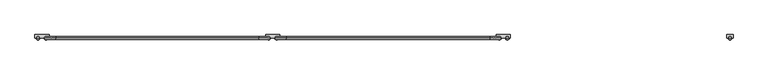
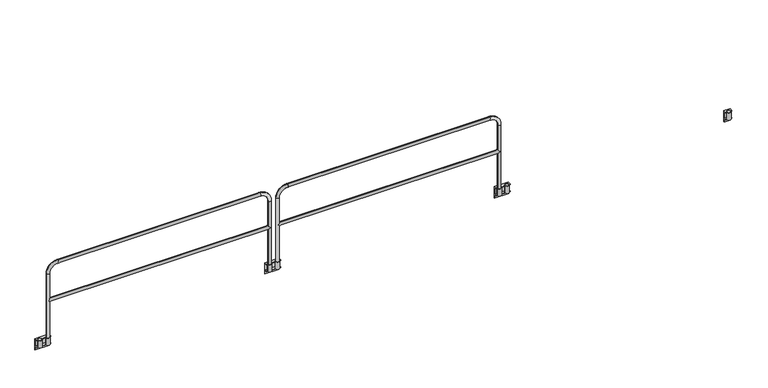
"""IFC4 building model written with IfcOpenShell, lengths in millimetres: railing geometry."""

from ifc_helpers import new_model, si_unit, point, frame, frame_2d, origin, place, context, project, spatial, polyline, circle_curve, ellipse_curve, trimmed, segment, composite_curve, outline, extrude, source, transform, mapped, element, save
from ifc_brep_helpers import plane_surface, cylinder_surface, revolved_surface, advanced_brep


def railing_c8866953(model_context):
    return source(origin(), model_context, "Body", "SolidModel", [
        advanced_brep(
        [(44917.043726, 9383.1551937, 0.0), (44917.043726, 9383.1551937, -95.25), (44917.043726, 9345.0551937, -95.25), (44917.043726, 9345.0551937, -101.6), (44917.043726, 9383.1551937, -101.6), (44917.043726, 9383.1551937, -152.4), (44917.043726, 9389.5051937, -152.4), (44917.043726, 9389.5051937, 6.35), (44917.043726, 9345.0551937, 6.35), (44917.043726, 9345.0551937, 0.0), (44726.543726, 9383.1551937, 0.0), (44726.543726, 9345.0551937, 0.0), (44726.543726, 9345.0551937, 6.35), (44726.543726, 9389.5051937, 6.35), (44726.543726, 9389.5051937, -152.4), (44726.543726, 9383.1551937, -152.4), (44726.543726, 9383.1551937, -101.6), (44726.543726, 9345.0551937, -101.6), (44726.543726, 9345.0551937, -95.25), (44726.543726, 9383.1551937, -95.25), (44740.9246893, 9345.0551937, 0.0), (44740.9246893, 9345.0551937, 6.35), (44848.6877627, 9345.0551937, 6.35), (44794.8996893, 9345.0551937, 6.35), (44794.8996893, 9345.0551937, 0.0), (44848.6877627, 9345.0551937, 0.0), (44902.6627627, 9345.0551937, 6.35), (44902.6627627, 9345.0551937, 0.0), (44740.9246893, 9345.0551937, -95.25), (44794.8996893, 9345.0551937, -95.25), (44848.6877627, 9345.0551937, -95.25), (44902.6627627, 9345.0551937, -95.25)],
        [
            (0, 1),
            (1, 2),
            (2, 3),
            (3, 4),
            (4, 5),
            (5, 6),
            (6, 7),
            (7, 8),
            (8, 9),
            (9, 0),
            (10, 11),
            (11, 12),
            (12, 13),
            (13, 14),
            (14, 15),
            (15, 16),
            (16, 17),
            (17, 18),
            (18, 19),
            (19, 10),
            (11, 20),
            (20, 21),
            (21, 12),
            (22, 23),
            (23, 24),
            (24, 25),
            (25, 22),
            (8, 26),
            (26, 27),
            (27, 9),
            (7, 13),
            (21, 23, circle_curve(frame((44767.9121893, 9345.0551937, 6.35), z_axis=(0.0, 0.0, -1.0), x_axis=(1.0, 0.0, 0.0)), 26.9875)),
            (22, 26, circle_curve(frame((44875.6752627, 9345.0551937, 6.35), z_axis=(0.0, 0.0, -1.0), x_axis=(1.0, 0.0, 0.0)), 26.9875)),
            (27, 25, circle_curve(frame((44875.6752627, 9345.0551937, 0.0), z_axis=(0.0, 0.0, 1.0), x_axis=(1.0, 0.0, 0.0)), 26.9875)),
            (24, 20, circle_curve(frame((44767.9121893, 9345.0551937, 0.0), z_axis=(0.0, 0.0, 1.0), x_axis=(1.0, 0.0, 0.0)), 26.9875)),
            (10, 0),
            (6, 14),
            (1, 19),
            (18, 28),
            (28, 29),
            (29, 30),
            (30, 31),
            (31, 2),
            (17, 3),
            (16, 4),
            (15, 5),
        ],
        [
            plane_surface(frame((44917.043726, 9389.5051937, 0.0), z_axis=(1.0, 0.0, 0.0), x_axis=(0.0, 0.0, 1.0))),
            plane_surface(frame((44726.543726, 9389.5051937, 0.0), z_axis=(-1.0, 0.0, 0.0), x_axis=(0.0, 0.0, 1.0))),
            plane_surface(frame((44917.043726, 9345.0551937, 6.35), z_axis=(0.0, -1.0, 0.0), x_axis=(-1.0, 0.0, 0.0))),
            plane_surface(frame((44917.043726, 9389.5051937, 6.35), z_axis=(0.0, 0.0, 1.0), x_axis=(-1.0, 0.0, 0.0))),
            plane_surface(frame((44917.043726, 9345.0551937, 0.0), z_axis=(0.0, 0.0, -1.0), x_axis=(-1.0, 0.0, 0.0))),
            plane_surface(frame((44917.043726, 9389.5051937, -152.4), z_axis=(0.0, 1.0, 0.0), x_axis=(-1.0, 0.0, 0.0))),
            plane_surface(frame((44917.043726, 9383.1551937, -95.25), z_axis=(0.0, 0.0, 1.0), x_axis=(-1.0, 0.0, 0.0))),
            plane_surface(frame((44917.043726, 9345.0551937, -95.25), z_axis=(0.0, -1.0, 0.0), x_axis=(-1.0, 0.0, 0.0))),
            plane_surface(frame((44917.043726, 9345.0551937, -101.6), z_axis=(0.0, 0.0, -1.0), x_axis=(-1.0, 0.0, 0.0))),
            revolved_surface(polyline([(44794.8996893, 9345.0551937, 6.349999999999994), (44794.8996893, 9345.0551937, 0.0)]), (44767.9121893, 9345.0551937, -95.25), (0.0, 0.0, 1.0)),
            revolved_surface(polyline([(44902.662762700005, 9345.0551937, 6.35), (44902.662762700005, 9345.0551937, 0.0)]), (44875.6752627, 9345.0551937, 0.0), (0.0, 0.0, 1.0)),
            plane_surface(frame((44917.043726, 9383.1551937, -101.6), z_axis=(0.0, -1.0, 0.0), x_axis=(-1.0, 0.0, 0.0))),
            plane_surface(frame((44917.043726, 9383.1551937, -152.4), z_axis=(0.0, 0.0, -1.0), x_axis=(-1.0, 0.0, 0.0))),
            plane_surface(frame((44917.043726, 9383.1551937, 0.0), z_axis=(0.0, -1.0, 0.0), x_axis=(-1.0, 0.0, 0.0))),
        ],
        [
            (0, [[1, 2, 3, 4, 5, 6, 7, 8, 9, 10]]),
            (1, [[11, 12, 13, 14, 15, 16, 17, 18, 19, 20]]),
            (2, [[-12, 21, 22, 23]]),
            (2, [[24, 25, 26, 27]]),
            (2, [[-9, 28, 29, 30]]),
            (3, [[-8, 31, -13, -23, 32, -24, 33, -28]]),
            (4, [[-10, -30, 34, -26, 35, -21, -11, 36]]),
            (5, [[-7, 37, -14, -31]]),
            (6, [[-2, 38, -19, 39, 40, 41, 42, 43]]),
            (7, [[-3, -43, -42, -41, -40, -39, -18, 44]]),
            (8, [[-4, -44, -17, 45]]),
            (9, [[-22, -35, -25, -32]]),
            (10, [[-27, -34, -29, -33]]),
            (11, [[-5, -45, -16, 46]]),
            (12, [[-6, -46, -15, -37]]),
            (13, [[-1, -36, -20, -38]]),
        ],
    ),
        extrude(outline(composite_curve([segment(trimmed(circle_curve(frame_2d((44875.6752627, 9345.0551937)), 26.9875), [point((44848.6877627, 9345.0551937))], [point((44902.6627627, 9345.0551937))], False, "CARTESIAN"), True, "CONTINUOUS"), segment(trimmed(circle_curve(frame_2d((44875.6752627, 9345.0551937)), 26.9875), [point((44902.6627627, 9345.0551937))], [point((44848.6877627, 9345.0551937))], False, "CARTESIAN"), True, "CONTINUOUS")], self_intersect=False), holes=[composite_curve([segment(trimmed(circle_curve(frame_2d((44875.6752627, 9345.0551937)), 20.6375), [point((44855.0377627, 9345.0551937))], [point((44896.3127627, 9345.0551937))], True, "CARTESIAN"), True, "CONTINUOUS"), segment(trimmed(circle_curve(frame_2d((44875.6752627, 9345.0551937)), 20.6375), [point((44896.3127627, 9345.0551937))], [point((44855.0377627, 9345.0551937))], True, "CARTESIAN"), True, "CONTINUOUS")], self_intersect=False)]), frame((0.0, 0.0, -95.25), z_axis=(0.0, 0.0, 1.0), x_axis=(1.0, 0.0, 0.0)), (0.0, 0.0, 1.0), 101.6),
        extrude(outline(composite_curve([segment(trimmed(circle_curve(frame_2d((44767.9121893, 9345.0551937)), 26.9875), [point((44740.9246893, 9345.0551937))], [point((44794.8996893, 9345.0551937))], False, "CARTESIAN"), True, "CONTINUOUS"), segment(trimmed(circle_curve(frame_2d((44767.9121893, 9345.0551937)), 26.9875), [point((44794.8996893, 9345.0551937))], [point((44740.9246893, 9345.0551937))], False, "CARTESIAN"), True, "CONTINUOUS")], self_intersect=False), holes=[composite_curve([segment(trimmed(circle_curve(frame_2d((44767.9121893, 9345.0551937)), 20.6375), [point((44747.2746893, 9345.0551937))], [point((44788.5496893, 9345.0551937))], True, "CARTESIAN"), True, "CONTINUOUS"), segment(trimmed(circle_curve(frame_2d((44767.9121893, 9345.0551937)), 20.6375), [point((44788.5496893, 9345.0551937))], [point((44747.2746893, 9345.0551937))], True, "CARTESIAN"), True, "CONTINUOUS")], self_intersect=False)]), frame((0.0, 0.0, -95.25), z_axis=(0.0, 0.0, 1.0), x_axis=(1.0, 0.0, 0.0)), (0.0, 0.0, 1.0), 101.6),
        advanced_brep(
        [(47841.0317994, 9383.1551937, 0.0), (47841.0317994, 9345.0551937, 0.0), (47841.0317994, 9345.0551937, 6.35), (47841.0317994, 9389.5051937, 6.35), (47841.0317994, 9389.5051937, -152.4), (47841.0317994, 9383.1551937, -152.4), (47841.0317994, 9383.1551937, -101.6), (47841.0317994, 9345.0551937, -101.6), (47841.0317994, 9345.0551937, -95.25), (47841.0317994, 9383.1551937, -95.25), (48031.5317994, 9383.1551937, 0.0), (48031.5317994, 9383.1551937, -95.25), (48031.5317994, 9345.0551937, -95.25), (48031.5317994, 9345.0551937, -101.6), (48031.5317994, 9383.1551937, -101.6), (48031.5317994, 9383.1551937, -152.4), (48031.5317994, 9389.5051937, -152.4), (48031.5317994, 9389.5051937, 6.35), (48031.5317994, 9345.0551937, 6.35), (48031.5317994, 9345.0551937, 0.0), (47855.4127627, 9345.0551937, 0.0), (47855.4127627, 9345.0551937, 6.35), (48017.1508362, 9345.0551937, 6.35), (48017.1508362, 9345.0551937, 0.0), (47909.3877627, 9345.0551937, 6.35), (47909.3877627, 9345.0551937, 0.0), (47963.1758362, 9345.0551937, 0.0), (47963.1758362, 9345.0551937, 6.35), (47855.4127627, 9345.0551937, -95.25), (47909.3877627, 9345.0551937, -95.25), (47963.1758362, 9345.0551937, -95.25), (48017.1508362, 9345.0551937, -95.25)],
        [
            (0, 1),
            (1, 2),
            (2, 3),
            (3, 4),
            (4, 5),
            (5, 6),
            (6, 7),
            (7, 8),
            (8, 9),
            (9, 0),
            (10, 11),
            (11, 12),
            (12, 13),
            (13, 14),
            (14, 15),
            (15, 16),
            (16, 17),
            (17, 18),
            (18, 19),
            (19, 10),
            (1, 20),
            (20, 21),
            (21, 2),
            (18, 22),
            (22, 23),
            (23, 19),
            (24, 25),
            (25, 26),
            (26, 27),
            (27, 24),
            (21, 24, circle_curve(frame((47882.4002627, 9345.0551937, 6.35), z_axis=(0.0, 0.0, -1.0), x_axis=(-1.0, 0.0, 0.0)), 26.9875)),
            (27, 22, circle_curve(frame((47990.1633362, 9345.0551937, 6.35), z_axis=(0.0, 0.0, -1.0), x_axis=(-1.0, 0.0, 0.0)), 26.9875)),
            (17, 3),
            (0, 10),
            (23, 26, circle_curve(frame((47990.1633362, 9345.0551937, 0.0), z_axis=(0.0, 0.0, 1.0), x_axis=(-1.0, 0.0, 0.0)), 26.9875)),
            (25, 20, circle_curve(frame((47882.4002627, 9345.0551937, 0.0), z_axis=(0.0, 0.0, 1.0), x_axis=(-1.0, 0.0, 0.0)), 26.9875)),
            (16, 4),
            (8, 28),
            (28, 29),
            (29, 30),
            (30, 31),
            (31, 12),
            (11, 9),
            (7, 13),
            (6, 14),
            (5, 15),
        ],
        [
            plane_surface(frame((47841.0317994, 9389.5051937, 0.0), z_axis=(-1.0, 0.0, 0.0), x_axis=(0.0, 0.0, 1.0))),
            plane_surface(frame((48031.5317994, 9389.5051937, 0.0), z_axis=(1.0, 0.0, 0.0), x_axis=(0.0, 0.0, 1.0))),
            plane_surface(frame((47841.0317994, 9345.0551937, 6.35), z_axis=(0.0, -1.0, 0.0), x_axis=(1.0, 0.0, 0.0))),
            plane_surface(frame((47841.0317994, 9389.5051937, 6.35), z_axis=(0.0, 0.0, 1.0), x_axis=(1.0, 0.0, 0.0))),
            plane_surface(frame((47841.0317994, 9345.0551937, 0.0), z_axis=(0.0, 0.0, -1.0), x_axis=(1.0, 0.0, 0.0))),
            plane_surface(frame((47841.0317994, 9389.5051937, -152.4), z_axis=(0.0, 1.0, 0.0), x_axis=(1.0, 0.0, 0.0))),
            plane_surface(frame((47841.0317994, 9383.1551937, -95.25), z_axis=(0.0, 0.0, 1.0), x_axis=(1.0, 0.0, 0.0))),
            plane_surface(frame((47841.0317994, 9345.0551937, -95.25), z_axis=(0.0, -1.0, 0.0), x_axis=(1.0, 0.0, 0.0))),
            plane_surface(frame((47841.0317994, 9345.0551937, -101.6), z_axis=(0.0, 0.0, -1.0), x_axis=(1.0, 0.0, 0.0))),
            revolved_surface(polyline([(47963.1758362, 9345.0551937, 6.349999999999994), (47963.1758362, 9345.0551937, 0.0)]), (47990.1633362, 9345.0551937, -95.25), (0.0, 0.0, 1.0)),
            revolved_surface(polyline([(47855.4127627, 9345.0551937, 6.35), (47855.4127627, 9345.0551937, 0.0)]), (47882.4002627, 9345.0551937, 0.0), (0.0, 0.0, 1.0)),
            plane_surface(frame((47841.0317994, 9383.1551937, -101.6), z_axis=(0.0, -1.0, 0.0), x_axis=(1.0, 0.0, 0.0))),
            plane_surface(frame((47841.0317994, 9383.1551937, -152.4), z_axis=(0.0, 0.0, -1.0), x_axis=(1.0, 0.0, 0.0))),
            plane_surface(frame((47841.0317994, 9383.1551937, 0.0), z_axis=(0.0, -1.0, 0.0), x_axis=(1.0, 0.0, 0.0))),
        ],
        [
            (0, [[1, 2, 3, 4, 5, 6, 7, 8, 9, 10]]),
            (1, [[11, 12, 13, 14, 15, 16, 17, 18, 19, 20]]),
            (2, [[21, 22, 23, -2]]),
            (2, [[24, 25, 26, -19]]),
            (2, [[27, 28, 29, 30]]),
            (3, [[-23, 31, -30, 32, -24, -18, 33, -3]]),
            (4, [[34, -20, -26, 35, -28, 36, -21, -1]]),
            (5, [[-33, -17, 37, -4]]),
            (6, [[38, 39, 40, 41, 42, -12, 43, -9]]),
            (7, [[44, -13, -42, -41, -40, -39, -38, -8]]),
            (8, [[45, -14, -44, -7]]),
            (9, [[-32, -29, -35, -25]]),
            (10, [[-31, -22, -36, -27]]),
            (11, [[46, -15, -45, -6]]),
            (12, [[-37, -16, -46, -5]]),
            (13, [[-43, -11, -34, -10]]),
        ],
    ),
        extrude(outline(composite_curve([segment(trimmed(circle_curve(frame_2d((47882.4002627, 9345.0551937)), 26.9875), [point((47909.3877627, 9345.0551937))], [point((47855.4127627, 9345.0551937))], False, "CARTESIAN"), True, "CONTINUOUS"), segment(trimmed(circle_curve(frame_2d((47882.4002627, 9345.0551937)), 26.9875), [point((47855.4127627, 9345.0551937))], [point((47909.3877627, 9345.0551937))], False, "CARTESIAN"), True, "CONTINUOUS")], self_intersect=False), holes=[composite_curve([segment(trimmed(circle_curve(frame_2d((47882.4002627, 9345.0551937)), 20.6375), [point((47903.0377627, 9345.0551937))], [point((47861.7627627, 9345.0551937))], True, "CARTESIAN"), True, "CONTINUOUS"), segment(trimmed(circle_curve(frame_2d((47882.4002627, 9345.0551937)), 20.6375), [point((47861.7627627, 9345.0551937))], [point((47903.0377627, 9345.0551937))], True, "CARTESIAN"), True, "CONTINUOUS")], self_intersect=False)]), frame((0.0, 0.0, -95.25), z_axis=(0.0, 0.0, 1.0), x_axis=(1.0, 0.0, 0.0)), (0.0, 0.0, 1.0), 101.6),
        extrude(outline(composite_curve([segment(trimmed(circle_curve(frame_2d((47990.1633362, 9345.0551937)), 26.9875), [point((48017.1508362, 9345.0551937))], [point((47963.1758362, 9345.0551937))], False, "CARTESIAN"), True, "CONTINUOUS"), segment(trimmed(circle_curve(frame_2d((47990.1633362, 9345.0551937)), 26.9875), [point((47963.1758362, 9345.0551937))], [point((48017.1508362, 9345.0551937))], False, "CARTESIAN"), True, "CONTINUOUS")], self_intersect=False), holes=[composite_curve([segment(trimmed(circle_curve(frame_2d((47990.1633362, 9345.0551937)), 20.6375), [point((48010.8008362, 9345.0551937))], [point((47969.5258362, 9345.0551937))], True, "CARTESIAN"), True, "CONTINUOUS"), segment(trimmed(circle_curve(frame_2d((47990.1633362, 9345.0551937)), 20.6375), [point((47969.5258362, 9345.0551937))], [point((48010.8008362, 9345.0551937))], True, "CARTESIAN"), True, "CONTINUOUS")], self_intersect=False)]), frame((0.0, 0.0, -95.25), z_axis=(0.0, 0.0, 1.0), x_axis=(1.0, 0.0, 0.0)), (0.0, 0.0, 1.0), 101.6),
        advanced_brep(
        [(44896.3127627, 9345.0551937, 554.0375), (44875.6752627, 9324.4176937, 533.4), (44896.3127627, 9345.0551937, 512.7625), (47861.7627627, 9345.0551937, 512.7625), (47882.4002627, 9324.4176937, 533.4), (47861.7627627, 9345.0551937, 554.0375), (47882.4002627, 9365.6926937, 533.4), (44875.6752627, 9365.6926937, 533.4), (44855.0377627, 9345.0551937, -95.25), (44896.3127627, 9345.0551937, -95.25), (44896.3127627, 9345.0551937, 914.4), (44855.0377627, 9345.0551937, 914.4), (45007.4377627, 9345.0551937, 1025.525), (45007.4377627, 9345.0551937, 1066.8), (47750.6377627, 9345.0551937, 1025.525), (47750.6377627, 9345.0551937, 1066.8), (47861.7627627, 9345.0551937, 914.4), (47903.0377627, 9345.0551937, 914.4), (47903.0377627, 9345.0551937, -95.25), (47861.7627627, 9345.0551937, -95.25)],
        [
            (0, 1, ellipse_curve(frame((44875.6752627, 9345.0551937, 533.4), z_axis=(0.7071067811865475, 0.0, -0.7071067811865475), x_axis=(-0.7071067811865476, 0.0, -0.7071067811865474)), 29.1858324, 20.6375)),
            (1, 2, ellipse_curve(frame((44875.6752627, 9345.0551937, 533.4), z_axis=(0.7071067811865475, 0.0, 0.7071067811865475), x_axis=(-0.7071067811865476, 0.0, 0.7071067811865474)), 29.1858324, 20.6375)),
            (2, 3),
            (3, 4, ellipse_curve(frame((47882.4002627, 9345.0551937, 533.4), z_axis=(-0.7071067811865475, 0.0, 0.7071067811865475), x_axis=(-0.7071067811865476, 0.0, -0.7071067811865474)), 29.1858324, 20.6375)),
            (4, 5, ellipse_curve(frame((47882.4002627, 9345.0551937, 533.4), z_axis=(-0.7071067811865475, 0.0, -0.7071067811865475), x_axis=(-0.7071067811865476, 0.0, 0.7071067811865474)), 29.1858324, 20.6375)),
            (5, 0),
            (5, 6, ellipse_curve(frame((47882.4002627, 9345.0551937, 533.4), z_axis=(-0.7071067811865475, 0.0, -0.7071067811865475), x_axis=(-0.7071067811865476, 0.0, 0.7071067811865474)), 29.1858324, 20.6375)),
            (6, 3, ellipse_curve(frame((47882.4002627, 9345.0551937, 533.4), z_axis=(-0.7071067811865475, 0.0, 0.7071067811865475), x_axis=(-0.7071067811865476, 0.0, -0.7071067811865474)), 29.1858324, 20.6375)),
            (2, 7, ellipse_curve(frame((44875.6752627, 9345.0551937, 533.4), z_axis=(0.7071067811865475, 0.0, 0.7071067811865475), x_axis=(-0.7071067811865476, 0.0, 0.7071067811865474)), 29.1858324, 20.6375)),
            (7, 0, ellipse_curve(frame((44875.6752627, 9345.0551937, 533.4), z_axis=(0.7071067811865475, 0.0, -0.7071067811865475), x_axis=(-0.7071067811865476, 0.0, -0.7071067811865474)), 29.1858324, 20.6375)),
            (8, 9, circle_curve(frame((44875.6752627, 9345.0551937, -95.25), z_axis=(0.0, 0.0, -1.0), x_axis=(1.0, 0.0, 0.0)), 20.6375)),
            (9, 8, circle_curve(frame((44875.6752627, 9345.0551937, -95.25), z_axis=(0.0, 0.0, -1.0), x_axis=(1.0, 0.0, 0.0)), 20.6375)),
            (9, 2),
            (0, 10),
            (10, 11, circle_curve(frame((44875.6752627, 9345.0551937, 914.4), z_axis=(0.0, 0.0, -1.0), x_axis=(1.0, 0.0, 0.0)), 20.6375)),
            (11, 8),
            (11, 10, circle_curve(frame((44875.6752627, 9345.0551937, 914.4), z_axis=(0.0, 0.0, -1.0), x_axis=(1.0, 0.0, 0.0)), 20.6375)),
            (10, 12, circle_curve(frame((45007.4377627, 9345.0551937, 914.4), z_axis=(0.0, 1.0, 0.0), x_axis=(-1.0, 0.0, 0.0)), 111.125)),
            (12, 13, circle_curve(frame((45007.4377627, 9345.0551937, 1046.1625), z_axis=(-1.0, 0.0, 0.0), x_axis=(0.0, 0.0, -1.0)), 20.6375)),
            (13, 11, circle_curve(frame((45007.4377627, 9345.0551937, 914.4), z_axis=(0.0, -1.0, 0.0), x_axis=(-1.0, 0.0, 0.0)), 152.4)),
            (13, 12, circle_curve(frame((45007.4377627, 9345.0551937, 1046.1625), z_axis=(-1.0, 0.0, 0.0), x_axis=(0.0, 0.0, -1.0)), 20.6375)),
            (12, 14),
            (14, 15, circle_curve(frame((47750.6377627, 9345.0551937, 1046.1625), z_axis=(-1.0, 0.0, 0.0), x_axis=(0.0, 0.0, -1.0)), 20.6375)),
            (15, 13),
            (15, 14, circle_curve(frame((47750.6377627, 9345.0551937, 1046.1625), z_axis=(-1.0, 0.0, 0.0), x_axis=(0.0, 0.0, -1.0)), 20.6375)),
            (14, 16, circle_curve(frame((47750.6377627, 9345.0551937, 914.4), z_axis=(0.0, 1.0, 0.0), x_axis=(0.0, 0.0, 1.0)), 111.125)),
            (16, 17, circle_curve(frame((47882.4002627, 9345.0551937, 914.4), z_axis=(0.0, 0.0, 1.0), x_axis=(-1.0, 0.0, 0.0)), 20.6375)),
            (17, 15, circle_curve(frame((47750.6377627, 9345.0551937, 914.4), z_axis=(0.0, -1.0, 0.0), x_axis=(0.0, 0.0, 1.0)), 152.4)),
            (17, 16, circle_curve(frame((47882.4002627, 9345.0551937, 914.4), z_axis=(0.0, 0.0, 1.0), x_axis=(-1.0, 0.0, 0.0)), 20.6375)),
            (18, 19, circle_curve(frame((47882.4002627, 9345.0551937, -95.25), z_axis=(0.0, 0.0, -1.0), x_axis=(-1.0, 0.0, 0.0)), 20.6375)),
            (19, 18, circle_curve(frame((47882.4002627, 9345.0551937, -95.25), z_axis=(0.0, 0.0, -1.0), x_axis=(-1.0, 0.0, 0.0)), 20.6375)),
            (16, 5),
            (3, 19),
            (18, 17),
        ],
        [
            cylinder_surface(frame((44875.6752627, 9345.0551937, 533.4), z_axis=(-1.0, 0.0, 0.0), x_axis=(0.0, 0.0, -1.0)), 20.6375),
            plane_surface(frame((44855.0377627, 9345.0551937, -95.25), z_axis=(0.0, 0.0, -1.0), x_axis=(0.0, -1.0, 0.0))),
            cylinder_surface(frame((44875.6752627, 9345.0551937, -95.25), z_axis=(0.0, 0.0, -1.0), x_axis=(1.0, 0.0, 0.0)), 20.6375),
            revolved_surface(trimmed(ellipse_curve(frame((44875.6752627, 9345.0551937, 914.4), z_axis=(0.0, 0.0, 1.0), x_axis=(1.0, 0.0, 0.0)), 20.6375, 20.6375), [point((44855.0377627, 9345.0551937, 914.4))], [point((44896.3127627, 9345.0551937, 914.4))], True, "CARTESIAN"), (45007.4377627, 9345.0551937, 914.4), (0.0, -1.0, 0.0)),
            revolved_surface(trimmed(ellipse_curve(frame((44875.6752627, 9345.0551937, 914.4), z_axis=(0.0, 0.0, 1.0), x_axis=(1.0, 0.0, 0.0)), 20.6375, 20.6375), [point((44896.3127627, 9345.0551937, 914.4))], [point((44855.0377627, 9345.0551937, 914.4))], True, "CARTESIAN"), (45007.4377627, 9345.0551937, 914.4), (0.0, -1.0, 0.0)),
            cylinder_surface(frame((45007.4377627, 9345.0551937, 1046.1625), z_axis=(-1.0, 0.0, 0.0), x_axis=(0.0, 0.0, -1.0)), 20.6375),
            revolved_surface(trimmed(ellipse_curve(frame((47750.6377627, 9345.0551937, 1046.1625), z_axis=(1.0, 0.0, 0.0), x_axis=(0.0, 0.0, -1.0)), 20.6375, 20.6375), [point((47750.6377627, 9345.0551937, 1066.8))], [point((47750.6377627, 9345.0551937, 1025.525))], True, "CARTESIAN"), (47750.6377627, 9345.0551937, 914.4), (0.0, -1.0, 0.0)),
            revolved_surface(trimmed(ellipse_curve(frame((47750.6377627, 9345.0551937, 1046.1625), z_axis=(1.0, 0.0, 0.0), x_axis=(0.0, 0.0, -1.0)), 20.6375, 20.6375), [point((47750.6377627, 9345.0551937, 1025.525))], [point((47750.6377627, 9345.0551937, 1066.8))], True, "CARTESIAN"), (47750.6377627, 9345.0551937, 914.4), (0.0, -1.0, 0.0)),
            plane_surface(frame((47903.0377627, 9345.0551937, -95.25), z_axis=(0.0, 0.0, -1.0), x_axis=(0.0, -1.0, 0.0))),
            cylinder_surface(frame((47882.4002627, 9345.0551937, 914.4), z_axis=(0.0, 0.0, 1.0), x_axis=(-1.0, 0.0, 0.0)), 20.6375),
        ],
        [
            (0, [[1, 2, 3, 4, 5, 6]]),
            (0, [[7, 8, -3, 9, 10, -6]]),
            (1, [[11, 12]]),
            (2, [[13, -2, -1, 14, 15, 16, -12]]),
            (2, [[-16, 17, -14, -10, -9, -13, -11]]),
            (3, [[18, 19, 20, -15]]),
            (4, [[-20, 21, -18, -17]]),
            (5, [[22, 23, 24, -19]]),
            (5, [[-24, 25, -22, -21]]),
            (6, [[26, 27, 28, -23]]),
            (7, [[-28, 29, -26, -25]]),
            (8, [[30, 31]]),
            (9, [[32, -5, -4, 33, -30, 34, -27]]),
            (9, [[-34, -31, -33, -8, -7, -32, -29]]),
        ],
    ),
        advanced_brep(
        [(41802.5671635, 9383.1551937, 0.0), (41802.5671635, 9383.1551937, -95.25), (41802.5671635, 9345.0551937, -95.25), (41802.5671635, 9345.0551937, -101.6), (41802.5671635, 9383.1551937, -101.6), (41802.5671635, 9383.1551937, -152.4), (41802.5671635, 9389.5051937, -152.4), (41802.5671635, 9389.5051937, 6.35), (41802.5671635, 9345.0551937, 6.35), (41802.5671635, 9345.0551937, 0.0), (41612.0671635, 9383.1551937, 0.0), (41612.0671635, 9345.0551937, 0.0), (41612.0671635, 9345.0551937, 6.35), (41612.0671635, 9389.5051937, 6.35), (41612.0671635, 9389.5051937, -152.4), (41612.0671635, 9383.1551937, -152.4), (41612.0671635, 9383.1551937, -101.6), (41612.0671635, 9345.0551937, -101.6), (41612.0671635, 9345.0551937, -95.25), (41612.0671635, 9383.1551937, -95.25), (41626.4481268, 9345.0551937, 0.0), (41626.4481268, 9345.0551937, 6.35), (41734.2112002, 9345.0551937, 6.35), (41680.4231268, 9345.0551937, 6.35), (41680.4231268, 9345.0551937, 0.0), (41734.2112002, 9345.0551937, 0.0), (41788.1862002, 9345.0551937, 6.35), (41788.1862002, 9345.0551937, 0.0), (41626.4481268, 9345.0551937, -95.25), (41680.4231268, 9345.0551937, -95.25), (41734.2112002, 9345.0551937, -95.25), (41788.1862002, 9345.0551937, -95.25)],
        [
            (0, 1),
            (1, 2),
            (2, 3),
            (3, 4),
            (4, 5),
            (5, 6),
            (6, 7),
            (7, 8),
            (8, 9),
            (9, 0),
            (10, 11),
            (11, 12),
            (12, 13),
            (13, 14),
            (14, 15),
            (15, 16),
            (16, 17),
            (17, 18),
            (18, 19),
            (19, 10),
            (11, 20),
            (20, 21),
            (21, 12),
            (22, 23),
            (23, 24),
            (24, 25),
            (25, 22),
            (8, 26),
            (26, 27),
            (27, 9),
            (7, 13),
            (21, 23, circle_curve(frame((41653.4356268, 9345.0551937, 6.35), z_axis=(0.0, 0.0, -1.0), x_axis=(1.0, 0.0, 0.0)), 26.9875)),
            (22, 26, circle_curve(frame((41761.1987002, 9345.0551937, 6.35), z_axis=(0.0, 0.0, -1.0), x_axis=(1.0, 0.0, 0.0)), 26.9875)),
            (27, 25, circle_curve(frame((41761.1987002, 9345.0551937, 0.0), z_axis=(0.0, 0.0, 1.0), x_axis=(1.0, 0.0, 0.0)), 26.9875)),
            (24, 20, circle_curve(frame((41653.4356268, 9345.0551937, 0.0), z_axis=(0.0, 0.0, 1.0), x_axis=(1.0, 0.0, 0.0)), 26.9875)),
            (10, 0),
            (6, 14),
            (1, 19),
            (18, 28),
            (28, 29),
            (29, 30),
            (30, 31),
            (31, 2),
            (17, 3),
            (16, 4),
            (15, 5),
        ],
        [
            plane_surface(frame((41802.5671635, 9389.5051937, 0.0), z_axis=(1.0, 0.0, 0.0), x_axis=(0.0, 0.0, 1.0))),
            plane_surface(frame((41612.0671635, 9389.5051937, 0.0), z_axis=(-1.0, 0.0, 0.0), x_axis=(0.0, 0.0, 1.0))),
            plane_surface(frame((41802.5671635, 9345.0551937, 6.35), z_axis=(0.0, -1.0, 0.0), x_axis=(-1.0, 0.0, 0.0))),
            plane_surface(frame((41802.5671635, 9389.5051937, 6.35), z_axis=(0.0, 0.0, 1.0), x_axis=(-1.0, 0.0, 0.0))),
            plane_surface(frame((41802.5671635, 9345.0551937, 0.0), z_axis=(0.0, 0.0, -1.0), x_axis=(-1.0, 0.0, 0.0))),
            plane_surface(frame((41802.5671635, 9389.5051937, -152.4), z_axis=(0.0, 1.0, 0.0), x_axis=(-1.0, 0.0, 0.0))),
            plane_surface(frame((41802.5671635, 9383.1551937, -95.25), z_axis=(0.0, 0.0, 1.0), x_axis=(-1.0, 0.0, 0.0))),
            plane_surface(frame((41802.5671635, 9345.0551937, -95.25), z_axis=(0.0, -1.0, 0.0), x_axis=(-1.0, 0.0, 0.0))),
            plane_surface(frame((41802.5671635, 9345.0551937, -101.6), z_axis=(0.0, 0.0, -1.0), x_axis=(-1.0, 0.0, 0.0))),
            revolved_surface(polyline([(41680.4231268, 9345.0551937, 6.349999999999994), (41680.4231268, 9345.0551937, 0.0)]), (41653.4356268, 9345.0551937, -95.25), (0.0, 0.0, 1.0)),
            revolved_surface(polyline([(41788.186200200005, 9345.0551937, 6.35), (41788.186200200005, 9345.0551937, 0.0)]), (41761.1987002, 9345.0551937, 0.0), (0.0, 0.0, 1.0)),
            plane_surface(frame((41802.5671635, 9383.1551937, -101.6), z_axis=(0.0, -1.0, 0.0), x_axis=(-1.0, 0.0, 0.0))),
            plane_surface(frame((41802.5671635, 9383.1551937, -152.4), z_axis=(0.0, 0.0, -1.0), x_axis=(-1.0, 0.0, 0.0))),
            plane_surface(frame((41802.5671635, 9383.1551937, 0.0), z_axis=(0.0, -1.0, 0.0), x_axis=(-1.0, 0.0, 0.0))),
        ],
        [
            (0, [[1, 2, 3, 4, 5, 6, 7, 8, 9, 10]]),
            (1, [[11, 12, 13, 14, 15, 16, 17, 18, 19, 20]]),
            (2, [[-12, 21, 22, 23]]),
            (2, [[24, 25, 26, 27]]),
            (2, [[-9, 28, 29, 30]]),
            (3, [[-8, 31, -13, -23, 32, -24, 33, -28]]),
            (4, [[-10, -30, 34, -26, 35, -21, -11, 36]]),
            (5, [[-7, 37, -14, -31]]),
            (6, [[-2, 38, -19, 39, 40, 41, 42, 43]]),
            (7, [[-3, -43, -42, -41, -40, -39, -18, 44]]),
            (8, [[-4, -44, -17, 45]]),
            (9, [[-22, -35, -25, -32]]),
            (10, [[-27, -34, -29, -33]]),
            (11, [[-5, -45, -16, 46]]),
            (12, [[-6, -46, -15, -37]]),
            (13, [[-1, -36, -20, -38]]),
        ],
    ),
        extrude(outline(composite_curve([segment(trimmed(circle_curve(frame_2d((41761.1987002, 9345.0551937)), 26.9875), [point((41734.2112002, 9345.0551937))], [point((41788.1862002, 9345.0551937))], False, "CARTESIAN"), True, "CONTINUOUS"), segment(trimmed(circle_curve(frame_2d((41761.1987002, 9345.0551937)), 26.9875), [point((41788.1862002, 9345.0551937))], [point((41734.2112002, 9345.0551937))], False, "CARTESIAN"), True, "CONTINUOUS")], self_intersect=False), holes=[composite_curve([segment(trimmed(circle_curve(frame_2d((41761.1987002, 9345.0551937)), 20.6375), [point((41740.5612002, 9345.0551937))], [point((41781.8362002, 9345.0551937))], True, "CARTESIAN"), True, "CONTINUOUS"), segment(trimmed(circle_curve(frame_2d((41761.1987002, 9345.0551937)), 20.6375), [point((41781.8362002, 9345.0551937))], [point((41740.5612002, 9345.0551937))], True, "CARTESIAN"), True, "CONTINUOUS")], self_intersect=False)]), frame((0.0, 0.0, -95.25), z_axis=(0.0, 0.0, 1.0), x_axis=(1.0, 0.0, 0.0)), (0.0, 0.0, 1.0), 101.6),
        extrude(outline(composite_curve([segment(trimmed(circle_curve(frame_2d((41653.4356268, 9345.0551937)), 26.9875), [point((41626.4481268, 9345.0551937))], [point((41680.4231268, 9345.0551937))], False, "CARTESIAN"), True, "CONTINUOUS"), segment(trimmed(circle_curve(frame_2d((41653.4356268, 9345.0551937)), 26.9875), [point((41680.4231268, 9345.0551937))], [point((41626.4481268, 9345.0551937))], False, "CARTESIAN"), True, "CONTINUOUS")], self_intersect=False), holes=[composite_curve([segment(trimmed(circle_curve(frame_2d((41653.4356268, 9345.0551937)), 20.6375), [point((41632.7981268, 9345.0551937))], [point((41674.0731268, 9345.0551937))], True, "CARTESIAN"), True, "CONTINUOUS"), segment(trimmed(circle_curve(frame_2d((41653.4356268, 9345.0551937)), 20.6375), [point((41674.0731268, 9345.0551937))], [point((41632.7981268, 9345.0551937))], True, "CARTESIAN"), True, "CONTINUOUS")], self_intersect=False)]), frame((0.0, 0.0, -95.25), z_axis=(0.0, 0.0, 1.0), x_axis=(1.0, 0.0, 0.0)), (0.0, 0.0, 1.0), 101.6),
        advanced_brep(
        [(44726.5552369, 9383.1551937, 0.0), (44726.5552369, 9345.0551937, 0.0), (44726.5552369, 9345.0551937, 6.35), (44726.5552369, 9389.5051937, 6.35), (44726.5552369, 9389.5051937, -152.4), (44726.5552369, 9383.1551937, -152.4), (44726.5552369, 9383.1551937, -101.6), (44726.5552369, 9345.0551937, -101.6), (44726.5552369, 9345.0551937, -95.25), (44726.5552369, 9383.1551937, -95.25), (44917.0552369, 9383.1551937, 0.0), (44917.0552369, 9383.1551937, -95.25), (44917.0552369, 9345.0551937, -95.25), (44917.0552369, 9345.0551937, -101.6), (44917.0552369, 9383.1551937, -101.6), (44917.0552369, 9383.1551937, -152.4), (44917.0552369, 9389.5051937, -152.4), (44917.0552369, 9389.5051937, 6.35), (44917.0552369, 9345.0551937, 6.35), (44917.0552369, 9345.0551937, 0.0), (44740.9362002, 9345.0551937, 0.0), (44740.9362002, 9345.0551937, 6.35), (44902.6742737, 9345.0551937, 6.35), (44902.6742737, 9345.0551937, 0.0), (44794.9112002, 9345.0551937, 6.35), (44794.9112002, 9345.0551937, 0.0), (44848.6992737, 9345.0551937, 0.0), (44848.6992737, 9345.0551937, 6.35), (44740.9362002, 9345.0551937, -95.25), (44794.9112002, 9345.0551937, -95.25), (44848.6992737, 9345.0551937, -95.25), (44902.6742737, 9345.0551937, -95.25)],
        [
            (0, 1),
            (1, 2),
            (2, 3),
            (3, 4),
            (4, 5),
            (5, 6),
            (6, 7),
            (7, 8),
            (8, 9),
            (9, 0),
            (10, 11),
            (11, 12),
            (12, 13),
            (13, 14),
            (14, 15),
            (15, 16),
            (16, 17),
            (17, 18),
            (18, 19),
            (19, 10),
            (1, 20),
            (20, 21),
            (21, 2),
            (18, 22),
            (22, 23),
            (23, 19),
            (24, 25),
            (25, 26),
            (26, 27),
            (27, 24),
            (21, 24, circle_curve(frame((44767.9237002, 9345.0551937, 6.35), z_axis=(0.0, 0.0, -1.0), x_axis=(-1.0, 0.0, 0.0)), 26.9875)),
            (27, 22, circle_curve(frame((44875.6867737, 9345.0551937, 6.35), z_axis=(0.0, 0.0, -1.0), x_axis=(-1.0, 0.0, 0.0)), 26.9875)),
            (17, 3),
            (0, 10),
            (23, 26, circle_curve(frame((44875.6867737, 9345.0551937, 0.0), z_axis=(0.0, 0.0, 1.0), x_axis=(-1.0, 0.0, 0.0)), 26.9875)),
            (25, 20, circle_curve(frame((44767.9237002, 9345.0551937, 0.0), z_axis=(0.0, 0.0, 1.0), x_axis=(-1.0, 0.0, 0.0)), 26.9875)),
            (16, 4),
            (8, 28),
            (28, 29),
            (29, 30),
            (30, 31),
            (31, 12),
            (11, 9),
            (7, 13),
            (6, 14),
            (5, 15),
        ],
        [
            plane_surface(frame((44726.5552369, 9389.5051937, 0.0), z_axis=(-1.0, 0.0, 0.0), x_axis=(0.0, 0.0, 1.0))),
            plane_surface(frame((44917.0552369, 9389.5051937, 0.0), z_axis=(1.0, 0.0, 0.0), x_axis=(0.0, 0.0, 1.0))),
            plane_surface(frame((44726.5552369, 9345.0551937, 6.35), z_axis=(0.0, -1.0, 0.0), x_axis=(1.0, 0.0, 0.0))),
            plane_surface(frame((44726.5552369, 9389.5051937, 6.35), z_axis=(0.0, 0.0, 1.0), x_axis=(1.0, 0.0, 0.0))),
            plane_surface(frame((44726.5552369, 9345.0551937, 0.0), z_axis=(0.0, 0.0, -1.0), x_axis=(1.0, 0.0, 0.0))),
            plane_surface(frame((44726.5552369, 9389.5051937, -152.4), z_axis=(0.0, 1.0, 0.0), x_axis=(1.0, 0.0, 0.0))),
            plane_surface(frame((44726.5552369, 9383.1551937, -95.25), z_axis=(0.0, 0.0, 1.0), x_axis=(1.0, 0.0, 0.0))),
            plane_surface(frame((44726.5552369, 9345.0551937, -95.25), z_axis=(0.0, -1.0, 0.0), x_axis=(1.0, 0.0, 0.0))),
            plane_surface(frame((44726.5552369, 9345.0551937, -101.6), z_axis=(0.0, 0.0, -1.0), x_axis=(1.0, 0.0, 0.0))),
            revolved_surface(polyline([(44848.6992737, 9345.0551937, 6.349999999999994), (44848.6992737, 9345.0551937, 0.0)]), (44875.6867737, 9345.0551937, -95.25), (0.0, 0.0, 1.0)),
            revolved_surface(polyline([(44740.9362002, 9345.0551937, 6.35), (44740.9362002, 9345.0551937, 0.0)]), (44767.9237002, 9345.0551937, 0.0), (0.0, 0.0, 1.0)),
            plane_surface(frame((44726.5552369, 9383.1551937, -101.6), z_axis=(0.0, -1.0, 0.0), x_axis=(1.0, 0.0, 0.0))),
            plane_surface(frame((44726.5552369, 9383.1551937, -152.4), z_axis=(0.0, 0.0, -1.0), x_axis=(1.0, 0.0, 0.0))),
            plane_surface(frame((44726.5552369, 9383.1551937, 0.0), z_axis=(0.0, -1.0, 0.0), x_axis=(1.0, 0.0, 0.0))),
        ],
        [
            (0, [[1, 2, 3, 4, 5, 6, 7, 8, 9, 10]]),
            (1, [[11, 12, 13, 14, 15, 16, 17, 18, 19, 20]]),
            (2, [[21, 22, 23, -2]]),
            (2, [[24, 25, 26, -19]]),
            (2, [[27, 28, 29, 30]]),
            (3, [[-23, 31, -30, 32, -24, -18, 33, -3]]),
            (4, [[34, -20, -26, 35, -28, 36, -21, -1]]),
            (5, [[-33, -17, 37, -4]]),
            (6, [[38, 39, 40, 41, 42, -12, 43, -9]]),
            (7, [[44, -13, -42, -41, -40, -39, -38, -8]]),
            (8, [[45, -14, -44, -7]]),
            (9, [[-32, -29, -35, -25]]),
            (10, [[-31, -22, -36, -27]]),
            (11, [[46, -15, -45, -6]]),
            (12, [[-37, -16, -46, -5]]),
            (13, [[-43, -11, -34, -10]]),
        ],
    ),
        extrude(outline(composite_curve([segment(trimmed(circle_curve(frame_2d((44767.9237002, 9345.0551937)), 26.9875), [point((44794.9112002, 9345.0551937))], [point((44740.9362002, 9345.0551937))], False, "CARTESIAN"), True, "CONTINUOUS"), segment(trimmed(circle_curve(frame_2d((44767.9237002, 9345.0551937)), 26.9875), [point((44740.9362002, 9345.0551937))], [point((44794.9112002, 9345.0551937))], False, "CARTESIAN"), True, "CONTINUOUS")], self_intersect=False), holes=[composite_curve([segment(trimmed(circle_curve(frame_2d((44767.9237002, 9345.0551937)), 20.6375), [point((44788.5612002, 9345.0551937))], [point((44747.2862002, 9345.0551937))], True, "CARTESIAN"), True, "CONTINUOUS"), segment(trimmed(circle_curve(frame_2d((44767.9237002, 9345.0551937)), 20.6375), [point((44747.2862002, 9345.0551937))], [point((44788.5612002, 9345.0551937))], True, "CARTESIAN"), True, "CONTINUOUS")], self_intersect=False)]), frame((0.0, 0.0, -95.25), z_axis=(0.0, 0.0, 1.0), x_axis=(1.0, 0.0, 0.0)), (0.0, 0.0, 1.0), 101.6),
        extrude(outline(composite_curve([segment(trimmed(circle_curve(frame_2d((44875.6867737, 9345.0551937)), 26.9875), [point((44902.6742737, 9345.0551937))], [point((44848.6992737, 9345.0551937))], False, "CARTESIAN"), True, "CONTINUOUS"), segment(trimmed(circle_curve(frame_2d((44875.6867737, 9345.0551937)), 26.9875), [point((44848.6992737, 9345.0551937))], [point((44902.6742737, 9345.0551937))], False, "CARTESIAN"), True, "CONTINUOUS")], self_intersect=False), holes=[composite_curve([segment(trimmed(circle_curve(frame_2d((44875.6867737, 9345.0551937)), 20.6375), [point((44896.3242737, 9345.0551937))], [point((44855.0492737, 9345.0551937))], True, "CARTESIAN"), True, "CONTINUOUS"), segment(trimmed(circle_curve(frame_2d((44875.6867737, 9345.0551937)), 20.6375), [point((44855.0492737, 9345.0551937))], [point((44896.3242737, 9345.0551937))], True, "CARTESIAN"), True, "CONTINUOUS")], self_intersect=False)]), frame((0.0, 0.0, -95.25), z_axis=(0.0, 0.0, 1.0), x_axis=(1.0, 0.0, 0.0)), (0.0, 0.0, 1.0), 101.6),
        advanced_brep(
        [(41781.8362002, 9345.0551937, 554.0375), (41761.1987002, 9324.4176937, 533.4), (41781.8362002, 9345.0551937, 512.7625), (44747.2862002, 9345.0551937, 512.7625), (44767.9237002, 9324.4176937, 533.4), (44747.2862002, 9345.0551937, 554.0375), (44767.9237002, 9365.6926937, 533.4), (41761.1987002, 9365.6926937, 533.4), (41740.5612002, 9345.0551937, -95.25), (41781.8362002, 9345.0551937, -95.25), (41781.8362002, 9345.0551937, 914.4), (41740.5612002, 9345.0551937, 914.4), (41892.9612002, 9345.0551937, 1025.525), (41892.9612002, 9345.0551937, 1066.8), (44636.1612002, 9345.0551937, 1025.525), (44636.1612002, 9345.0551937, 1066.8), (44747.2862002, 9345.0551937, 914.4), (44788.5612002, 9345.0551937, 914.4), (44788.5612002, 9345.0551937, -95.25), (44747.2862002, 9345.0551937, -95.25)],
        [
            (0, 1, ellipse_curve(frame((41761.1987002, 9345.0551937, 533.4), z_axis=(0.7071067811865475, 0.0, -0.7071067811865475), x_axis=(-0.7071067811865476, 0.0, -0.7071067811865474)), 29.1858324, 20.6375)),
            (1, 2, ellipse_curve(frame((41761.1987002, 9345.0551937, 533.4), z_axis=(0.7071067811865475, 0.0, 0.7071067811865475), x_axis=(-0.7071067811865476, 0.0, 0.7071067811865474)), 29.1858324, 20.6375)),
            (2, 3),
            (3, 4, ellipse_curve(frame((44767.9237002, 9345.0551937, 533.4), z_axis=(-0.7071067811865475, 0.0, 0.7071067811865475), x_axis=(-0.7071067811865476, 0.0, -0.7071067811865474)), 29.1858324, 20.6375)),
            (4, 5, ellipse_curve(frame((44767.9237002, 9345.0551937, 533.4), z_axis=(-0.7071067811865475, 0.0, -0.7071067811865475), x_axis=(-0.7071067811865476, 0.0, 0.7071067811865474)), 29.1858324, 20.6375)),
            (5, 0),
            (5, 6, ellipse_curve(frame((44767.9237002, 9345.0551937, 533.4), z_axis=(-0.7071067811865475, 0.0, -0.7071067811865475), x_axis=(-0.7071067811865476, 0.0, 0.7071067811865474)), 29.1858324, 20.6375)),
            (6, 3, ellipse_curve(frame((44767.9237002, 9345.0551937, 533.4), z_axis=(-0.7071067811865475, 0.0, 0.7071067811865475), x_axis=(-0.7071067811865476, 0.0, -0.7071067811865474)), 29.1858324, 20.6375)),
            (2, 7, ellipse_curve(frame((41761.1987002, 9345.0551937, 533.4), z_axis=(0.7071067811865475, 0.0, 0.7071067811865475), x_axis=(-0.7071067811865476, 0.0, 0.7071067811865474)), 29.1858324, 20.6375)),
            (7, 0, ellipse_curve(frame((41761.1987002, 9345.0551937, 533.4), z_axis=(0.7071067811865475, 0.0, -0.7071067811865475), x_axis=(-0.7071067811865476, 0.0, -0.7071067811865474)), 29.1858324, 20.6375)),
            (8, 9, circle_curve(frame((41761.1987002, 9345.0551937, -95.25), z_axis=(0.0, 0.0, -1.0), x_axis=(1.0, 0.0, 0.0)), 20.6375)),
            (9, 8, circle_curve(frame((41761.1987002, 9345.0551937, -95.25), z_axis=(0.0, 0.0, -1.0), x_axis=(1.0, 0.0, 0.0)), 20.6375)),
            (9, 2),
            (0, 10),
            (10, 11, circle_curve(frame((41761.1987002, 9345.0551937, 914.4), z_axis=(0.0, 0.0, -1.0), x_axis=(1.0, 0.0, 0.0)), 20.6375)),
            (11, 8),
            (11, 10, circle_curve(frame((41761.1987002, 9345.0551937, 914.4), z_axis=(0.0, 0.0, -1.0), x_axis=(1.0, 0.0, 0.0)), 20.6375)),
            (10, 12, circle_curve(frame((41892.9612002, 9345.0551937, 914.4), z_axis=(0.0, 1.0, 0.0), x_axis=(-1.0, 0.0, 0.0)), 111.125)),
            (12, 13, circle_curve(frame((41892.9612002, 9345.0551937, 1046.1625), z_axis=(-1.0, 0.0, 0.0), x_axis=(0.0, 0.0, -1.0)), 20.6375)),
            (13, 11, circle_curve(frame((41892.9612002, 9345.0551937, 914.4), z_axis=(0.0, -1.0, 0.0), x_axis=(-1.0, 0.0, 0.0)), 152.4)),
            (13, 12, circle_curve(frame((41892.9612002, 9345.0551937, 1046.1625), z_axis=(-1.0, 0.0, 0.0), x_axis=(0.0, 0.0, -1.0)), 20.6375)),
            (12, 14),
            (14, 15, circle_curve(frame((44636.1612002, 9345.0551937, 1046.1625), z_axis=(-1.0, 0.0, 0.0), x_axis=(0.0, 0.0, -1.0)), 20.6375)),
            (15, 13),
            (15, 14, circle_curve(frame((44636.1612002, 9345.0551937, 1046.1625), z_axis=(-1.0, 0.0, 0.0), x_axis=(0.0, 0.0, -1.0)), 20.6375)),
            (14, 16, circle_curve(frame((44636.1612002, 9345.0551937, 914.4), z_axis=(0.0, 1.0, 0.0), x_axis=(0.0, 0.0, 1.0)), 111.125)),
            (16, 17, circle_curve(frame((44767.9237002, 9345.0551937, 914.4), z_axis=(0.0, 0.0, 1.0), x_axis=(-1.0, 0.0, 0.0)), 20.6375)),
            (17, 15, circle_curve(frame((44636.1612002, 9345.0551937, 914.4), z_axis=(0.0, -1.0, 0.0), x_axis=(0.0, 0.0, 1.0)), 152.4)),
            (17, 16, circle_curve(frame((44767.9237002, 9345.0551937, 914.4), z_axis=(0.0, 0.0, 1.0), x_axis=(-1.0, 0.0, 0.0)), 20.6375)),
            (18, 19, circle_curve(frame((44767.9237002, 9345.0551937, -95.25), z_axis=(0.0, 0.0, -1.0), x_axis=(-1.0, 0.0, 0.0)), 20.6375)),
            (19, 18, circle_curve(frame((44767.9237002, 9345.0551937, -95.25), z_axis=(0.0, 0.0, -1.0), x_axis=(-1.0, 0.0, 0.0)), 20.6375)),
            (16, 5),
            (3, 19),
            (18, 17),
        ],
        [
            cylinder_surface(frame((41761.1987002, 9345.0551937, 533.4), z_axis=(-1.0, 0.0, 0.0), x_axis=(0.0, 0.0, -1.0)), 20.6375),
            plane_surface(frame((41740.5612002, 9345.0551937, -95.25), z_axis=(0.0, 0.0, -1.0), x_axis=(0.0, -1.0, 0.0))),
            cylinder_surface(frame((41761.1987002, 9345.0551937, -95.25), z_axis=(0.0, 0.0, -1.0), x_axis=(1.0, 0.0, 0.0)), 20.6375),
            revolved_surface(trimmed(ellipse_curve(frame((41761.1987002, 9345.0551937, 914.4), z_axis=(0.0, 0.0, 1.0), x_axis=(1.0, 0.0, 0.0)), 20.6375, 20.6375), [point((41740.5612002, 9345.0551937, 914.4))], [point((41781.8362002, 9345.0551937, 914.4))], True, "CARTESIAN"), (41892.9612002, 9345.0551937, 914.4), (0.0, -1.0, 0.0)),
            revolved_surface(trimmed(ellipse_curve(frame((41761.1987002, 9345.0551937, 914.4), z_axis=(0.0, 0.0, 1.0), x_axis=(1.0, 0.0, 0.0)), 20.6375, 20.6375), [point((41781.8362002, 9345.0551937, 914.4))], [point((41740.5612002, 9345.0551937, 914.4))], True, "CARTESIAN"), (41892.9612002, 9345.0551937, 914.4), (0.0, -1.0, 0.0)),
            cylinder_surface(frame((41892.9612002, 9345.0551937, 1046.1625), z_axis=(-1.0, 0.0, 0.0), x_axis=(0.0, 0.0, -1.0)), 20.6375),
            revolved_surface(trimmed(ellipse_curve(frame((44636.1612002, 9345.0551937, 1046.1625), z_axis=(1.0, 0.0, 0.0), x_axis=(0.0, 0.0, -1.0)), 20.6375, 20.6375), [point((44636.1612002, 9345.0551937, 1066.8))], [point((44636.1612002, 9345.0551937, 1025.525))], True, "CARTESIAN"), (44636.1612002, 9345.0551937, 914.4), (0.0, -1.0, 0.0)),
            revolved_surface(trimmed(ellipse_curve(frame((44636.1612002, 9345.0551937, 1046.1625), z_axis=(1.0, 0.0, 0.0), x_axis=(0.0, 0.0, -1.0)), 20.6375, 20.6375), [point((44636.1612002, 9345.0551937, 1025.525))], [point((44636.1612002, 9345.0551937, 1066.8))], True, "CARTESIAN"), (44636.1612002, 9345.0551937, 914.4), (0.0, -1.0, 0.0)),
            plane_surface(frame((44788.5612002, 9345.0551937, -95.25), z_axis=(0.0, 0.0, -1.0), x_axis=(0.0, -1.0, 0.0))),
            cylinder_surface(frame((44767.9237002, 9345.0551937, 914.4), z_axis=(0.0, 0.0, 1.0), x_axis=(-1.0, 0.0, 0.0)), 20.6375),
        ],
        [
            (0, [[1, 2, 3, 4, 5, 6]]),
            (0, [[7, 8, -3, 9, 10, -6]]),
            (1, [[11, 12]]),
            (2, [[13, -2, -1, 14, 15, 16, -12]]),
            (2, [[-16, 17, -14, -10, -9, -13, -11]]),
            (3, [[18, 19, 20, -15]]),
            (4, [[-20, 21, -18, -17]]),
            (5, [[22, 23, 24, -19]]),
            (5, [[-24, 25, -22, -21]]),
            (6, [[26, 27, 28, -23]]),
            (7, [[-28, 29, -26, -25]]),
            (8, [[30, 31]]),
            (9, [[32, -5, -4, 33, -30, 34, -27]]),
            (9, [[-34, -31, -33, -8, -7, -32, -29]]),
        ],
    ),
        advanced_brep(
        [(50955.4686744, 9383.1551937, 0.0), (50955.4686744, 9345.0551937, 0.0), (50955.4686744, 9345.0551937, 6.35), (50955.4686744, 9389.5051937, 6.35), (50955.4686744, 9389.5051937, -152.4), (50955.4686744, 9383.1551937, -152.4), (50955.4686744, 9383.1551937, -101.6), (50955.4686744, 9345.0551937, -101.6), (50955.4686744, 9345.0551937, -95.25), (50955.4686744, 9383.1551937, -95.25), (51038.205601, 9383.1551937, 0.0), (51038.205601, 9383.1551937, -95.25), (51038.205601, 9345.0551937, -95.25), (51038.205601, 9345.0551937, -101.6), (51038.205601, 9383.1551937, -101.6), (51038.205601, 9383.1551937, -152.4), (51038.205601, 9389.5051937, -152.4), (51038.205601, 9389.5051937, 6.35), (51038.205601, 9345.0551937, 6.35), (51038.205601, 9345.0551937, 0.0), (50969.8496377, 9345.0551937, 0.0), (50969.8496377, 9345.0551937, 6.35), (51023.8246377, 9345.0551937, 6.35), (51023.8246377, 9345.0551937, 0.0), (50969.8496377, 9345.0551937, -95.25), (51023.8246377, 9345.0551937, -95.25)],
        [
            (0, 1),
            (1, 2),
            (2, 3),
            (3, 4),
            (4, 5),
            (5, 6),
            (6, 7),
            (7, 8),
            (8, 9),
            (9, 0),
            (10, 11),
            (11, 12),
            (12, 13),
            (13, 14),
            (14, 15),
            (15, 16),
            (16, 17),
            (17, 18),
            (18, 19),
            (19, 10),
            (1, 20),
            (20, 21),
            (21, 2),
            (18, 22),
            (22, 23),
            (23, 19),
            (21, 22, circle_curve(frame((50996.8371377, 9345.0551937, 6.35), z_axis=(0.0, 0.0, -1.0), x_axis=(-1.0, 0.0, 0.0)), 26.9875)),
            (17, 3),
            (0, 10),
            (23, 20, circle_curve(frame((50996.8371377, 9345.0551937, 0.0), z_axis=(0.0, 0.0, 1.0), x_axis=(-1.0, 0.0, 0.0)), 26.9875)),
            (16, 4),
            (8, 24),
            (24, 25),
            (25, 12),
            (11, 9),
            (7, 13),
            (6, 14),
            (5, 15),
        ],
        [
            plane_surface(frame((50955.4686744, 9389.5051937, 0.0), z_axis=(-1.0, 0.0, 0.0), x_axis=(0.0, 0.0, 1.0))),
            plane_surface(frame((51038.205601, 9389.5051937, 0.0), z_axis=(1.0, 0.0, 0.0), x_axis=(0.0, 0.0, 1.0))),
            plane_surface(frame((50955.4686744, 9345.0551937, 6.35), z_axis=(0.0, -1.0, 0.0), x_axis=(1.0, 0.0, 0.0))),
            plane_surface(frame((50955.4686744, 9389.5051937, 6.35), z_axis=(0.0, 0.0, 1.0), x_axis=(1.0, 0.0, 0.0))),
            plane_surface(frame((50955.4686744, 9345.0551937, 0.0), z_axis=(0.0, 0.0, -1.0), x_axis=(1.0, 0.0, 0.0))),
            plane_surface(frame((50955.4686744, 9389.5051937, -152.4), z_axis=(0.0, 1.0, 0.0), x_axis=(1.0, 0.0, 0.0))),
            plane_surface(frame((50955.4686744, 9383.1551937, -95.25), z_axis=(0.0, 0.0, 1.0), x_axis=(1.0, 0.0, 0.0))),
            plane_surface(frame((50955.4686744, 9345.0551937, -95.25), z_axis=(0.0, -1.0, 0.0), x_axis=(1.0, 0.0, 0.0))),
            plane_surface(frame((50955.4686744, 9345.0551937, -101.6), z_axis=(0.0, 0.0, -1.0), x_axis=(1.0, 0.0, 0.0))),
            revolved_surface(polyline([(50969.8496377, 9345.0551937, 6.349999999999994), (50969.8496377, 9345.0551937, 0.0)]), (50996.8371377, 9345.0551937, -95.25), (0.0, 0.0, 1.0)),
            plane_surface(frame((50955.4686744, 9383.1551937, -101.6), z_axis=(0.0, -1.0, 0.0), x_axis=(1.0, 0.0, 0.0))),
            plane_surface(frame((50955.4686744, 9383.1551937, -152.4), z_axis=(0.0, 0.0, -1.0), x_axis=(1.0, 0.0, 0.0))),
            plane_surface(frame((50955.4686744, 9383.1551937, 0.0), z_axis=(0.0, -1.0, 0.0), x_axis=(1.0, 0.0, 0.0))),
        ],
        [
            (0, [[1, 2, 3, 4, 5, 6, 7, 8, 9, 10]]),
            (1, [[11, 12, 13, 14, 15, 16, 17, 18, 19, 20]]),
            (2, [[21, 22, 23, -2]]),
            (2, [[24, 25, 26, -19]]),
            (3, [[-23, 27, -24, -18, 28, -3]]),
            (4, [[29, -20, -26, 30, -21, -1]]),
            (5, [[-28, -17, 31, -4]]),
            (6, [[32, 33, 34, -12, 35, -9]]),
            (7, [[36, -13, -34, -33, -32, -8]]),
            (8, [[37, -14, -36, -7]]),
            (9, [[-27, -22, -30, -25]]),
            (10, [[38, -15, -37, -6]]),
            (11, [[-31, -16, -38, -5]]),
            (12, [[-35, -11, -29, -10]]),
        ],
    ),
        extrude(outline(composite_curve([segment(trimmed(circle_curve(frame_2d((50996.8371377, 9345.0551937)), 26.9875), [point((51023.8246377, 9345.0551937))], [point((50969.8496377, 9345.0551937))], False, "CARTESIAN"), True, "CONTINUOUS"), segment(trimmed(circle_curve(frame_2d((50996.8371377, 9345.0551937)), 26.9875), [point((50969.8496377, 9345.0551937))], [point((51023.8246377, 9345.0551937))], False, "CARTESIAN"), True, "CONTINUOUS")], self_intersect=False), holes=[composite_curve([segment(trimmed(circle_curve(frame_2d((50996.8371377, 9345.0551937)), 20.6375), [point((51017.4746377, 9345.0551937))], [point((50976.1996377, 9345.0551937))], True, "CARTESIAN"), True, "CONTINUOUS"), segment(trimmed(circle_curve(frame_2d((50996.8371377, 9345.0551937)), 20.6375), [point((50976.1996377, 9345.0551937))], [point((51017.4746377, 9345.0551937))], True, "CARTESIAN"), True, "CONTINUOUS")], self_intersect=False)]), frame((0.0, 0.0, -95.25), z_axis=(0.0, 0.0, 1.0), x_axis=(1.0, 0.0, 0.0)), (0.0, 0.0, 1.0), 101.6),
    ])


if __name__ == "__main__":
    model = new_model("IFC4")
    model_context = context("Model", 3, world=origin())
    ifc_project = project(units=[si_unit("LENGTHUNIT", "METRE", prefix="MILLI")], contexts=[model_context])
    site = spatial("IfcSite", under=ifc_project)
    building = spatial("IfcBuilding", under=site)
    placement = place(None, origin())
    railing_shape = railing_c8866953(model_context)
    element("IfcRailing", 1, at=placement, inside=building, context=model_context, shape_type="MappedRepresentation", body=[
        mapped(railing_shape, transform((0.0, 0.0, 0.0), x_axis=(1.0, 0.0, 0.0), y_axis=(0.0, 1.0, 0.0), z_axis=(0.0, 0.0, 1.0))),
    ])
    save(model, "model.ifc")
